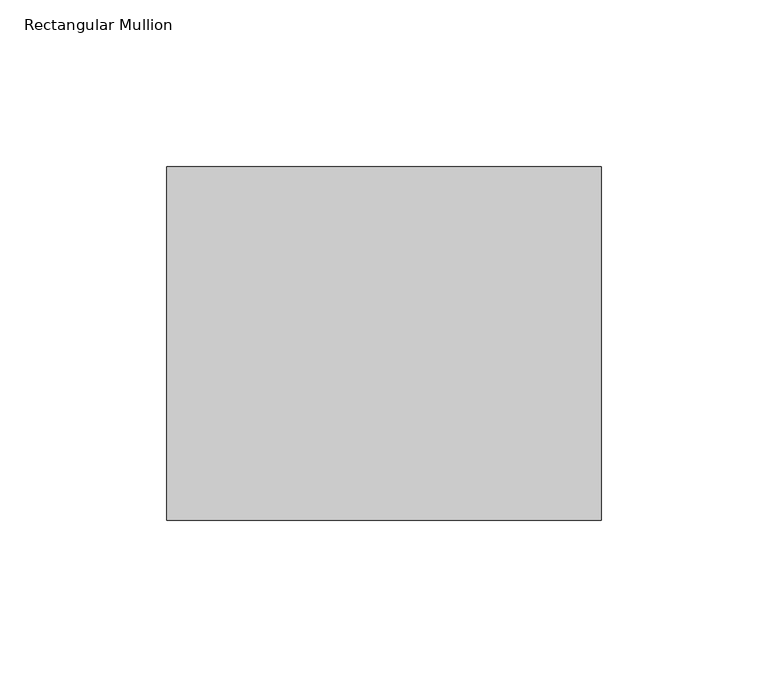
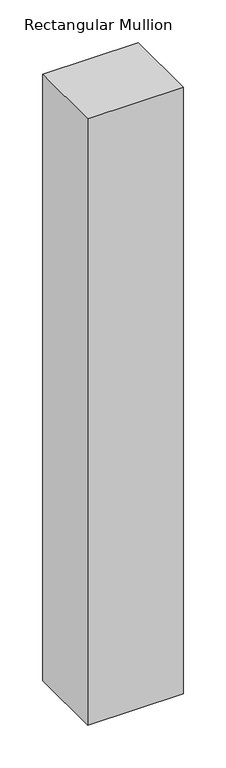
"""IFC4 building model written with IfcOpenShell, lengths in millimetres: member geometry, Rectangular Mullion."""

from ifc_helpers import new_model, si_unit, frame, origin, place, context, project, spatial, polyline, outline, extrude, source, transform, mapped, element, save


def rectangular_mullion_c18dcba5(model_context):
    return source(origin(), model_context, "Body", "SweptSolid", [
        extrude(outline(polyline([(-130.0, 52.8779994), (0.0, 52.8779994), (0.0, -52.8779994), (-130.0, -52.8779994), (-130.0, 52.8779994)])), frame((0.0, 0.0, -870.0), z_axis=(0.0, 0.0, 1.0), x_axis=(1.0, 0.0, 0.0)), (0.0, 0.0, 1.0), 870.0),
    ])


if __name__ == "__main__":
    model = new_model("IFC4")
    model_context = context("Model", 3, world=origin())
    ifc_project = project(units=[si_unit("LENGTHUNIT", "METRE", prefix="MILLI")], contexts=[model_context])
    site = spatial("IfcSite", under=ifc_project)
    building = spatial("IfcBuilding", under=site)
    placement = place(None, origin())
    rectangular_mullion_shape = rectangular_mullion_c18dcba5(model_context)
    element("IfcMember", 1, ObjectType="Rectangular Mullion", at=placement, inside=building, context=model_context, shape_type="MappedRepresentation", body=[
        mapped(rectangular_mullion_shape, transform((0.0, 0.0, 0.0), x_axis=(1.0, 0.0, 0.0), y_axis=(0.0, 1.0, 0.0), z_axis=(0.0, 0.0, 1.0))),
    ])
    save(model, "model.ifc")
